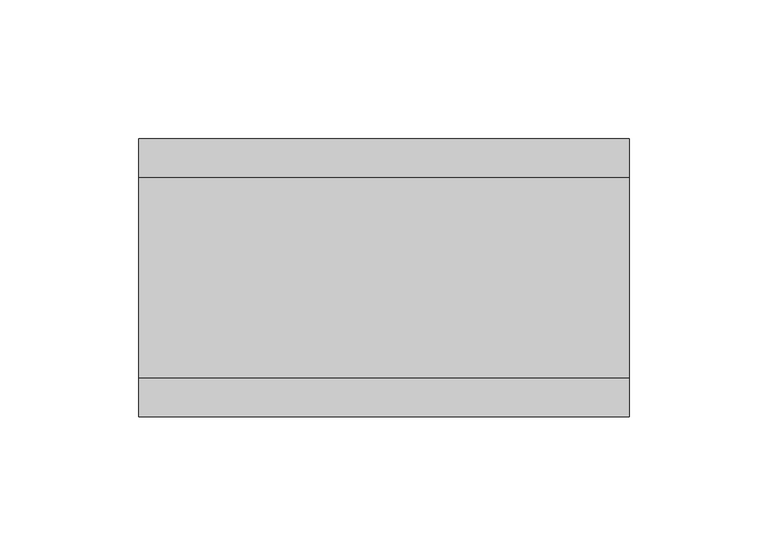
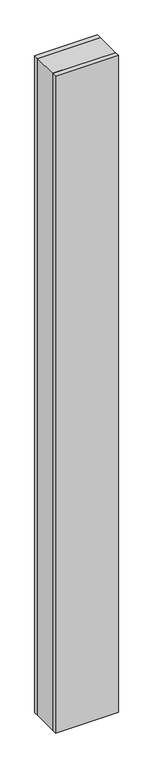
"""IFC4 building model written with IfcOpenShell, lengths in millimetres: plate geometry."""

from ifc_helpers import new_model, si_unit, origin, origin_with_axes, place, context, project, spatial, polyline, outline, extrude, source, transform, mapped, element, save


def plate_677983ce(model_context):
    return source(origin(), model_context, "Body", "SweptSolid", [
        extrude(outline(polyline([(88.2035739, 36.0), (88.2035739, -36.0), (-88.2035739, -36.0), (-88.2035739, 36.0), (88.2035739, 36.0)])), origin_with_axes(), (0.0, 0.0, 1.0), 1943.6971514),
        extrude(outline(polyline([(88.2035739, 50.0), (88.2035739, 36.0), (-88.2035739, 36.0), (-88.2035739, 50.0), (88.2035739, 50.0)])), origin_with_axes(), (0.0, 0.0, 1.0), 1943.6971514),
        extrude(outline(polyline([(88.2035739, -36.0), (88.2035739, -50.0), (-88.2035739, -50.0), (-88.2035739, -36.0), (88.2035739, -36.0)])), origin_with_axes(), (0.0, 0.0, 1.0), 1943.6971514),
    ])


if __name__ == "__main__":
    model = new_model("IFC4")
    model_context = context("Model", 3, world=origin())
    ifc_project = project(units=[si_unit("LENGTHUNIT", "METRE", prefix="MILLI")], contexts=[model_context])
    site = spatial("IfcSite", under=ifc_project)
    building = spatial("IfcBuilding", under=site)
    placement = place(None, origin())
    plate_shape = plate_677983ce(model_context)
    element("IfcPlate", 1, at=placement, inside=building, context=model_context, shape_type="MappedRepresentation", body=[
        mapped(plate_shape, transform((0.0, 0.0, 0.0), x_axis=(1.0, 0.0, 0.0), y_axis=(0.0, 1.0, 0.0), z_axis=(0.0, 0.0, 1.0))),
    ])
    save(model, "model.ifc")
